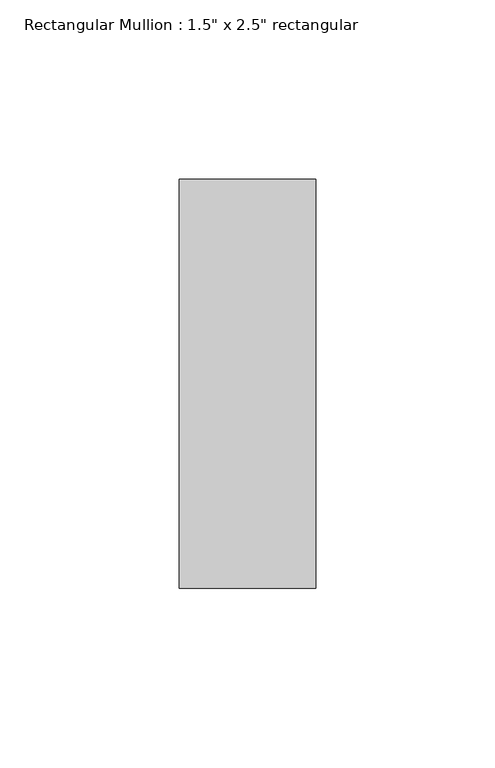
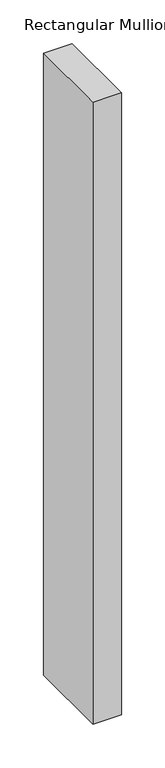
"""IFC4 building model written with IfcOpenShell, lengths in millimetres: member geometry."""

from ifc_helpers import new_model, si_unit, frame, origin, place, context, project, spatial, polyline, outline, extrude, source, transform, mapped, element, save


def member_8de00327(model_context):
    return source(origin(), model_context, "Body", "SweptSolid", [
        extrude(outline(polyline([(19.05, 57.15), (19.05, -57.15), (-19.05, -57.15), (-19.05, 57.15), (19.05, 57.15)])), frame((0.0, 0.0, -872.5829268), z_axis=(0.0, 0.0, 1.0), x_axis=(1.0, 0.0, 0.0)), (0.0, 0.0, 1.0), 872.5829268),
    ])


if __name__ == "__main__":
    model = new_model("IFC4")
    model_context = context("Model", 3, world=origin())
    ifc_project = project(units=[si_unit("LENGTHUNIT", "METRE", prefix="MILLI")], contexts=[model_context])
    site = spatial("IfcSite", under=ifc_project)
    building = spatial("IfcBuilding", under=site)
    placement = place(None, origin())
    member_shape = member_8de00327(model_context)
    element("IfcMember", 1, ObjectType="Rectangular Mullion : 1.5\" x 2.5\" rectangular", at=placement, inside=building, context=model_context, shape_type="MappedRepresentation", body=[
        mapped(member_shape, transform((0.0, 0.0, 0.0), x_axis=(1.0, 0.0, 0.0), y_axis=(0.0, 1.0, 0.0), z_axis=(0.0, 0.0, 1.0))),
    ])
    save(model, "model.ifc")
